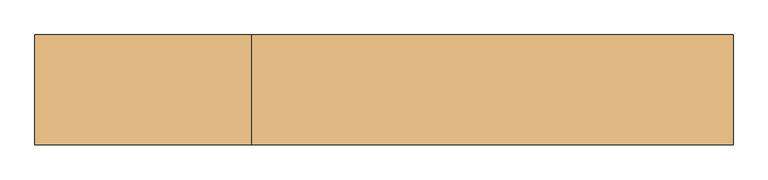
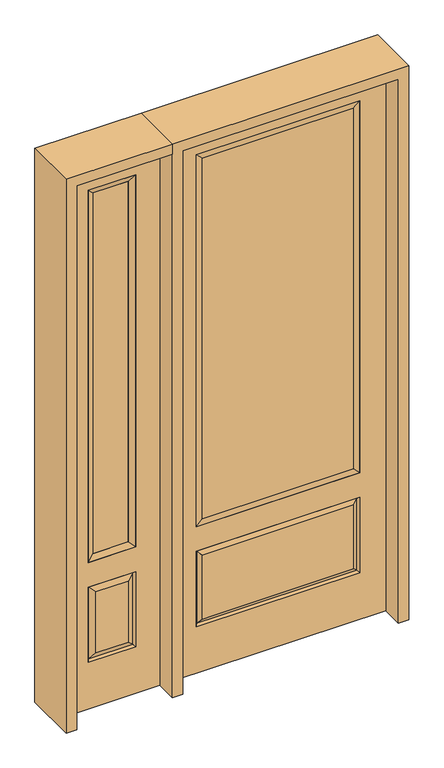
"""IFC4 building model written with IfcOpenShell, lengths in millimetres: door geometry."""

from ifc_helpers import new_model, si_unit, frame, origin, place, context, project, spatial, polyline, outline, extrude, faceted_brep, source, transform, mapped, element, save


def door_4ed05102(model_context):
    return source(origin(), model_context, "Body", "SolidModel", [
        faceted_brep([(-908.05, -22.225, 0.0), (-501.65, -22.225, 0.0), (-501.65, -22.225, 2438.4), (-908.05, -22.225, 2438.4), (-604.52, -22.225, 2325.624), (-604.52, -22.225, 657.098), (-805.18, -22.225, 657.098), (-805.18, -22.225, 2325.624), (-604.52, -22.225, 209.55), (-805.18, -22.225, 209.55), (-805.18, -22.225, 546.1), (-604.52, -22.225, 546.1), (-773.4648999, -22.225, 241.2651001), (-636.2351001, -22.225, 241.2651001), (-636.2351001, -22.225, 514.3848999), (-773.4648999, -22.225, 514.3848999), (-908.05, 22.225, 0.0), (-908.05, 22.225, 2438.4), (-501.65, 22.225, 2438.4), (-501.65, 22.225, 0.0), (-604.52, 22.225, 2325.624), (-805.18, 22.225, 2325.624), (-805.18, 22.225, 657.098), (-604.52, 22.225, 657.098), (-805.18, 22.225, 209.55), (-604.52, 22.225, 209.55), (-604.52, 22.225, 546.1), (-805.18, 22.225, 546.1), (-636.2351001, 22.225, 241.2651001), (-773.4648999, 22.225, 241.2651001), (-773.4648999, 22.225, 514.3848999), (-636.2351001, 22.225, 514.3848999), (-611.6288501, 12.7912373, 216.6588501), (-798.0711499, 12.7912373, 216.6588501), (-798.0711499, 12.7912373, 538.9911499), (-611.6288501, 12.7912373, 538.9911499), (-798.0711499, -12.7912373, 216.6588501), (-611.6288501, -12.7912373, 216.6588501), (-798.0711499, -12.7912373, 538.9911499), (-611.6288501, -12.7912373, 538.9911499)], [[[0, 1, 2, 3], [4, 5, 6, 7], [8, 9, 10, 11]], [[12, 13, 14, 15]], [[16, 17, 18, 19], [20, 21, 22, 23], [24, 25, 26, 27]], [[28, 29, 30, 31]], [[1, 0, 16, 19]], [[2, 1, 19, 18]], [[3, 2, 18, 17]], [[0, 3, 17, 16]], [[5, 4, 20, 23]], [[6, 5, 23, 22]], [[7, 6, 22, 21]], [[4, 7, 21, 20]], [[32, 33, 29, 28]], [[33, 32, 25, 24]], [[29, 33, 34, 30]], [[33, 24, 27, 34]], [[30, 34, 35, 31]], [[34, 27, 26, 35]], [[32, 28, 31, 35]], [[25, 32, 35, 26]], [[12, 36, 37, 13]], [[37, 36, 9, 8]], [[36, 12, 15, 38]], [[9, 36, 38, 10]], [[38, 15, 14, 39]], [[10, 38, 39, 11]], [[13, 37, 39, 14]], [[37, 8, 11, 39]]]),
        faceted_brep([(-805.18, 22.225, 2325.624), (-805.18, -22.225, 2325.624), (-604.52, -22.225, 2325.624), (-604.52, 22.225, 2325.624), (-779.78, 12.7, 2300.224), (-629.92, 12.7, 2300.224), (-779.78, -12.7, 2300.224), (-629.92, -12.7, 2300.224), (-604.52, -22.225, 657.098), (-604.52, 22.225, 657.098), (-629.92, 12.7, 682.498), (-629.92, -12.7, 682.498), (-805.18, -22.225, 657.098), (-805.18, 22.225, 657.098), (-779.78, 12.7, 682.498), (-779.78, -12.7, 682.498)], [[[0, 1, 2, 3]], [[4, 0, 3, 5]], [[6, 4, 5, 7]], [[1, 6, 7, 2]], [[3, 2, 8, 9]], [[5, 3, 9, 10]], [[7, 5, 10, 11]], [[2, 7, 11, 8]], [[9, 8, 12, 13]], [[10, 9, 13, 14]], [[11, 10, 14, 15]], [[8, 11, 15, 12]], [[13, 12, 1, 0]], [[14, 13, 0, 4]], [[15, 14, 4, 6]], [[12, 15, 6, 1]]]),
        extrude(outline(polyline([(-629.92, -12.7), (-779.78, -12.7), (-779.78, 12.7), (-629.92, 12.7), (-629.92, -12.7)])), frame((0.0, 0.0, 682.498), z_axis=(0.0, 0.0, 1.0), x_axis=(1.0, 0.0, 0.0)), (0.0, 0.0, 1.0), 1617.726),
        extrude(outline(polyline([(320.675, -20.32), (-320.675, -20.32), (-320.675, 5.08), (320.675, 5.08), (320.675, -20.32)])), frame((0.0, 0.0, 682.498), z_axis=(0.0, 0.0, 1.0), x_axis=(1.0, 0.0, 0.0)), (0.0, 0.0, 1.0), 1616.202),
        faceted_brep([(-338.9661499, -12.7912373, 216.6588501), (338.9661499, -12.7912373, 216.6588501), (321.46875, -22.225, 234.15625), (-321.46875, -22.225, 234.15625), (-346.075, -22.225, 209.55), (346.075, -22.225, 209.55), (-338.9661499, -12.7912373, 538.9911499), (-346.075, -22.225, 546.1), (321.46875, -22.225, 521.49375), (-321.46875, -22.225, 521.49375), (457.2, -22.225, 2438.4), (-457.2, -22.225, 2438.4), (-457.2, -22.225, 0.0), (457.2, -22.225, 0.0), (346.075, -22.225, 546.1), (346.075, -22.225, 2324.1), (346.075, -22.225, 657.098), (-346.075, -22.225, 657.098), (-346.075, -22.225, 2324.1), (338.9661499, -12.7912373, 538.9911499), (-457.2, 22.225, 2438.4), (-457.2, 22.225, 0.0), (457.2, 22.225, 0.0), (457.2, 22.225, 2438.4), (346.075, 22.225, 2324.1), (346.075, 22.225, 657.098), (-346.075, 22.225, 657.098), (-346.075, 22.225, 2324.1), (-346.075, 22.225, 209.55), (346.075, 22.225, 209.55), (346.075, 22.225, 546.1), (-346.075, 22.225, 546.1), (321.46875, 22.225, 234.15625), (-321.46875, 22.225, 234.15625), (-321.46875, 22.225, 521.49375), (321.46875, 22.225, 521.49375), (-338.9661499, 12.7912373, 216.6588501), (338.9661499, 12.7912373, 216.6588501), (338.9661499, 12.7912373, 538.9911499), (-338.9661499, 12.7912373, 538.9911499)], [[[0, 1, 2, 3]], [[1, 0, 4, 5]], [[4, 0, 6, 7]], [[3, 2, 8, 9]], [[10, 11, 12, 13], [5, 4, 7, 14], [15, 16, 17, 18]], [[1, 5, 14, 19]], [[2, 1, 19, 8]], [[0, 3, 9, 6]], [[7, 6, 19, 14]], [[6, 9, 8, 19]], [[12, 11, 20, 21]], [[13, 12, 21, 22]], [[10, 13, 22, 23]], [[16, 15, 24, 25]], [[17, 16, 25, 26]], [[18, 17, 26, 27]], [[23, 22, 21, 20], [28, 29, 30, 31], [24, 27, 26, 25]], [[32, 33, 34, 35]], [[28, 36, 37, 29]], [[29, 37, 38, 30]], [[39, 31, 30, 38]], [[36, 28, 31, 39]], [[37, 36, 33, 32]], [[33, 36, 39, 34]], [[34, 39, 38, 35]], [[37, 32, 35, 38]], [[11, 10, 23, 20]], [[15, 18, 27, 24]]]),
        faceted_brep([(-346.075, -22.225, 2324.1), (-346.075, 22.225, 2324.1), (-346.075, 22.225, 657.098), (-346.075, -22.225, 657.098), (346.075, 22.225, 657.098), (346.075, -22.225, 657.098), (-320.675, 5.08, 682.498), (320.675, 5.08, 682.498), (346.075, 22.225, 2324.1), (346.075, -22.225, 2324.1), (-320.675, -20.32, 682.498), (320.675, -20.32, 682.498), (-320.675, -20.32, 2298.7), (320.675, -20.32, 2298.7), (-320.675, 5.08, 2298.7), (320.675, 5.08, 2298.7)], [[[0, 1, 2, 3]], [[3, 2, 4, 5]], [[2, 6, 7, 4]], [[5, 4, 8, 9]], [[10, 3, 5, 11]], [[12, 0, 3, 10]], [[11, 5, 9, 13]], [[6, 10, 11, 7]], [[14, 12, 10, 6]], [[7, 11, 13, 15]], [[1, 14, 6, 2]], [[4, 7, 15, 8]], [[9, 8, 1, 0]], [[13, 9, 0, 12]], [[15, 13, 12, 14]], [[8, 15, 14, 1]]]),
        extrude(outline(polyline([(2438.4, -501.65), (2482.85, -501.65), (2482.85, -952.5), (0.0, -952.5), (0.0, -908.05), (2438.4, -908.05), (2438.4, -501.65)])), frame((0.0, -114.3, 0.0), z_axis=(0.0, 1.0, 0.0), x_axis=(0.0, 0.0, 1.0)), (0.0, 0.0, 1.0), 228.6),
        extrude(outline(polyline([(2482.85, -501.65), (0.0, -501.65), (0.0, -457.2), (2438.4, -457.2), (2438.4, 457.2), (0.0, 457.2), (0.0, 501.65), (2482.85, 501.65), (2482.85, -501.65)])), frame((0.0, -114.3, 0.0), z_axis=(0.0, 1.0, 0.0), x_axis=(0.0, 0.0, 1.0)), (0.0, 0.0, 1.0), 228.6),
    ])


if __name__ == "__main__":
    model = new_model("IFC4")
    model_context = context("Model", 3, world=origin())
    ifc_project = project(units=[si_unit("LENGTHUNIT", "METRE", prefix="MILLI")], contexts=[model_context])
    site = spatial("IfcSite", under=ifc_project)
    building = spatial("IfcBuilding", under=site)
    placement = place(None, origin())
    door_shape = door_4ed05102(model_context)
    element("IfcDoor", 1, at=placement, inside=building, context=model_context, shape_type="MappedRepresentation", body=[
        mapped(door_shape, transform((0.0, 0.0, 0.0), x_axis=(1.0, 0.0, 0.0), y_axis=(0.0, 1.0, 0.0), z_axis=(0.0, 0.0, 1.0))),
    ])
    save(model, "model.ifc")
